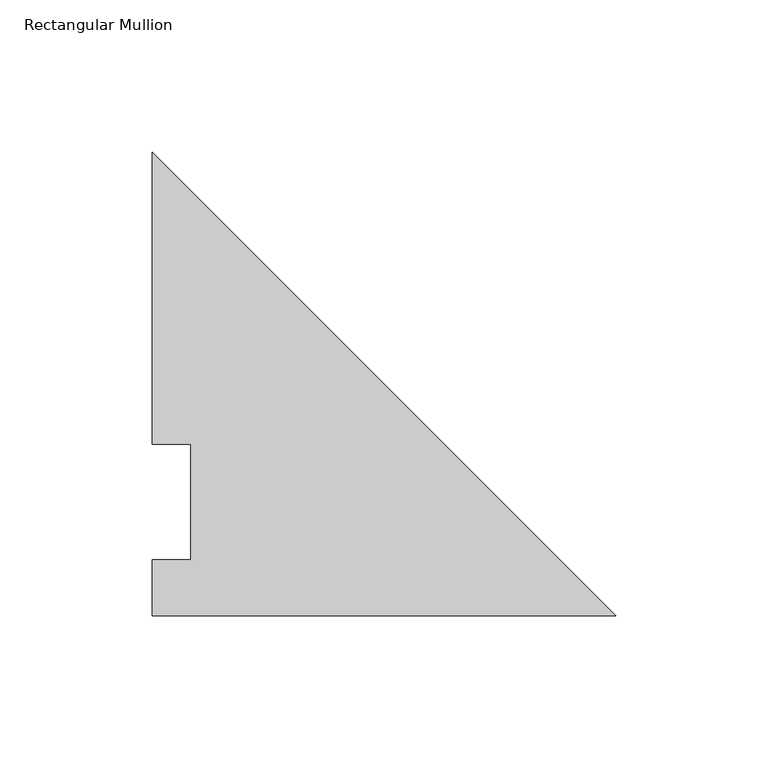
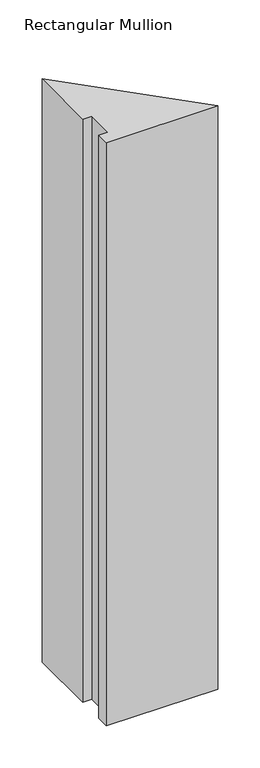
"""IFC4 building model written with IfcOpenShell, lengths in millimetres: member geometry, Rectangular Mullion."""

import ifcopenshell
import ifcopenshell.guid

model = None  # the IFC model being written
_history = None  # IfcOwnerHistory: only IFC2X3 demands one
_inside = {}  # id of a spatial element -> (the spatial element, [elements in it])
_under = {}  # id of a project, library or spatial element -> (it, [spatial elements below it])
_declared = {}  # id of a project -> (the project, [libraries it declares])
_typed = {}  # id of a type object -> (the type object, [elements of that type])
_made_of = {}  # id of a material, layer set ... -> (it, [elements and type objects made of it])


def new_model(schema):
    """Start an empty IFC model of exactly this schema.

    Asked for "IFC4X3", IfcOpenShell would pick the latest addendum, in which some entities
    have other attributes; the version numbers below select the first issue.
    IFC2X3 requires an IfcOwnerHistory on every rooted entity: one is made here for all.
    """
    global model, _history
    if schema == "IFC4X3":
        model = ifcopenshell.file(schema_version=(4, 3, 0, 0))
    else:
        model = ifcopenshell.file(schema=schema)
    _inside.clear()
    _under.clear()
    _declared.clear()
    _typed.clear()
    _made_of.clear()
    _history = None
    if model.schema == "IFC2X3":
        org = make("IfcOrganization", Name="unknown")
        user = make(
            "IfcPersonAndOrganization",
            ThePerson=make("IfcPerson", FamilyName="unknown"),
            TheOrganization=org,
        )
        app = make(
            "IfcApplication",
            ApplicationDeveloper=org,
            Version="unknown",
            ApplicationFullName="unknown",
            ApplicationIdentifier="unknown",
        )
        _history = make(
            "IfcOwnerHistory",
            OwningUser=user,
            OwningApplication=app,
            ChangeAction="ADDED",
            CreationDate=0,
        )
    return model


def make(cls, **values):
    """One entity of the class cls with the attributes given. An attribute that is None is left unset."""
    return model.create_entity(
        cls, **{name: value for name, value in values.items() if value is not None}
    )


def rooted(cls, **values):
    """An entity with a GlobalId (a new one), such as an element, a storey or a relation."""
    return make(cls, GlobalId=ifcopenshell.guid.new(), OwnerHistory=_history, **values)


def si_unit(unit_type, name, prefix=None):
    """IfcSIUnit, for example si_unit("LENGTHUNIT", "METRE", prefix="MILLI")."""
    return make("IfcSIUnit", UnitType=unit_type, Prefix=prefix, Name=name)


def assignment(units):
    """IfcUnitAssignment: the units of a project."""
    return None if units is None else make("IfcUnitAssignment", Units=units)


def point(xyz):
    """IfcCartesianPoint."""
    return None if xyz is None else make("IfcCartesianPoint", Coordinates=xyz)


def direction(xyz):
    """IfcDirection."""
    return None if xyz is None else make("IfcDirection", DirectionRatios=xyz)


def frame(location, z_axis=None, x_axis=None):
    """IfcAxis2Placement3D, a coordinate frame: its origin and axes. An axis left out is left unset."""
    return make(
        "IfcAxis2Placement3D",
        Location=point(location),
        Axis=direction(z_axis),
        RefDirection=direction(x_axis),
    )


def origin():
    """The frame at (0, 0, 0) with its axes left unset."""
    return frame((0.0, 0.0, 0.0))


def place(relative_to, where):
    """IfcLocalPlacement: puts the frame where relative to a parent placement (None: the world)."""
    return make(
        "IfcLocalPlacement", PlacementRelTo=relative_to, RelativePlacement=where
    )


def context(
    kind, dimensions, precision=None, world=None, true_north=None, identifier=None
):
    """IfcGeometricRepresentationContext, for example the 3D "Model" context."""
    return make(
        "IfcGeometricRepresentationContext",
        ContextIdentifier=identifier,
        ContextType=kind,
        CoordinateSpaceDimension=dimensions,
        Precision=precision,
        WorldCoordinateSystem=world,
        TrueNorth=true_north,
    )


def project(units=None, contexts=None):
    """IfcProject with its units and contexts."""
    return rooted(
        "IfcProject",
        Name="project",
        RepresentationContexts=contexts,
        UnitsInContext=assignment(units),
    )


def spatial(cls, under=None, at=None, **own):
    """A site, building, storey or space (cls), placed at a placement, below another one or the project."""
    s = rooted(cls, ObjectPlacement=at, **own)
    if under is not None:
        _under.setdefault(under.id(), (under, []))[1].append(s)
    return s


def polyline(points):
    """IfcPolyline through the points."""
    return make("IfcPolyline", Points=[point(p) for p in points])


def outline(outer, holes=None, kind="AREA"):
    """IfcArbitraryClosedProfileDef: a profile drawn as a closed curve; with holes, ...WithVoids."""
    if holes is None:
        return make("IfcArbitraryClosedProfileDef", ProfileType=kind, OuterCurve=outer)
    return make(
        "IfcArbitraryProfileDefWithVoids",
        ProfileType=kind,
        OuterCurve=outer,
        InnerCurves=holes,
    )


def extrude(swept, where, along, depth):
    """IfcExtrudedAreaSolid: the profile swept, set in the frame where, extruded along a direction by depth."""
    return make(
        "IfcExtrudedAreaSolid",
        SweptArea=swept,
        Position=where,
        ExtrudedDirection=direction(along),
        Depth=depth,
    )


def shape(context_of_items, identifier, shape_type, items):
    """IfcShapeRepresentation: the items that make up one representation, for example the "Body"."""
    return make(
        "IfcShapeRepresentation",
        ContextOfItems=context_of_items,
        RepresentationIdentifier=identifier,
        RepresentationType=shape_type,
        Items=items,
    )


def source(mapping_origin, context_of_items, identifier, shape_type, items):
    """IfcRepresentationMap: a shape defined once, which mapped items show again and again."""
    return make(
        "IfcRepresentationMap",
        MappingOrigin=mapping_origin,
        MappedRepresentation=shape(context_of_items, identifier, shape_type, items),
    )


def transform(
    local_origin,
    x_axis=None,
    y_axis=None,
    z_axis=None,
    scale=None,
    scale2=None,
    scale3=None,
    uniform=True,
):
    """IfcCartesianTransformationOperator3D, or its non-uniform kind. x_axis, y_axis, z_axis: its Axis1, 2, 3."""
    if uniform:
        return make(
            "IfcCartesianTransformationOperator3D",
            Axis1=direction(x_axis),
            Axis2=direction(y_axis),
            LocalOrigin=point(local_origin),
            Scale=scale,
            Axis3=direction(z_axis),
        )
    return make(
        "IfcCartesianTransformationOperator3DnonUniform",
        Axis1=direction(x_axis),
        Axis2=direction(y_axis),
        LocalOrigin=point(local_origin),
        Scale=scale,
        Axis3=direction(z_axis),
        Scale2=scale2,
        Scale3=scale3,
    )


def mapped(mapping_source, mapping_target):
    """IfcMappedItem: shows the shape of a source again, moved by a transform."""
    return make(
        "IfcMappedItem", MappingSource=mapping_source, MappingTarget=mapping_target
    )


def made_of(thing, what):
    """Note that an element or type object is made of a material, layer set ...; save() writes the relation."""
    if what is not None:
        _made_of.setdefault(what.id(), (what, []))[1].append(thing)
    return thing


def element(
    cls,
    number,
    at=None,
    inside=None,
    cuts=None,
    type_object=None,
    material=None,
    context=None,
    identifier="Body",
    shape_type=None,
    held_by="IfcProductDefinitionShape",
    body=None,
    shapes=None,
    **own,
):
    """One element of the class cls, such as IfcWall. Its Tag is "e" and its number.

    at: its placement. inside: the storey or other place that contains it. cuts: it is an
    opening in that element (IfcRelVoidsElement). A single representation is given by context,
    identifier, shape_type and body (its items); several are given by shapes. held_by: the class
    of the entity that holds the representations. save() writes the other relations.
    """
    e = rooted(cls, Tag="e%d" % number, ObjectPlacement=at, **own)
    if body is not None:
        shapes = [shape(context, identifier, shape_type, body)]
    if shapes is not None:
        e.Representation = make(held_by, Representations=shapes)
    if inside is not None:
        _inside.setdefault(inside.id(), (inside, []))[1].append(e)
    if cuts is not None:
        rooted(
            "IfcRelVoidsElement", RelatingBuildingElement=cuts, RelatedOpeningElement=e
        )
    if type_object is not None:
        _typed.setdefault(type_object.id(), (type_object, []))[1].append(e)
    return made_of(e, material)


def aggregate(whole, parts):
    """IfcRelAggregates: a whole, such as a stair, and the parts it consists of."""
    return rooted("IfcRelAggregates", RelatingObject=whole, RelatedObjects=parts)


def save(model, path):
    """Write the relations noted so far, then the file.

    IfcRelAggregates (storeys below a building ...), IfcRelContainedInSpatialStructure (elements
    in a storey), IfcRelDefinesByType, IfcRelAssociatesMaterial and IfcRelDeclares: one each for
    every whole, place, type object, material and project.
    """
    for whole, parts in _under.values():
        aggregate(whole, parts)
    for where, things in _inside.values():
        rooted(
            "IfcRelContainedInSpatialStructure",
            RelatedElements=things,
            RelatingStructure=where,
        )
    for kind, things in _typed.values():
        rooted("IfcRelDefinesByType", RelatedObjects=things, RelatingType=kind)
    for what, things in _made_of.values():
        rooted("IfcRelAssociatesMaterial", RelatedObjects=things, RelatingMaterial=what)
    for by, libraries in _declared.values():
        rooted("IfcRelDeclares", RelatingContext=by, RelatedDefinitions=libraries)
    model.write(path)


def rectangular_mullion_bade6806(model_context):
    return source(origin(), model_context, "Body", "SweptSolid", [
        extrude(outline(polyline([(-152.4000001, 152.36825), (0.0, -0.0317501), (-152.4000001, -0.0317501), (-152.4000001, 18.25625), (-139.7000001, 18.25625), (-139.7000001, 56.35625), (-152.4000001, 56.35625), (-152.4000001, 152.36825)])), frame((0.0, 0.0, -844.4484), z_axis=(0.0, 0.0, 1.0), x_axis=(1.0, 0.0, 0.0)), (0.0, 0.0, 1.0), 844.4484),
    ])


if __name__ == "__main__":
    model = new_model("IFC4")
    model_context = context("Model", 3, world=origin())
    ifc_project = project(units=[si_unit("LENGTHUNIT", "METRE", prefix="MILLI")], contexts=[model_context])
    site = spatial("IfcSite", under=ifc_project)
    building = spatial("IfcBuilding", under=site)
    placement = place(None, origin())
    rectangular_mullion_shape = rectangular_mullion_bade6806(model_context)
    element("IfcMember", 1, ObjectType="Rectangular Mullion", at=placement, inside=building, context=model_context, shape_type="MappedRepresentation", body=[
        mapped(rectangular_mullion_shape, transform((0.0, 0.0, 0.0), x_axis=(1.0, 0.0, 0.0), y_axis=(0.0, 1.0, 0.0), z_axis=(0.0, 0.0, 1.0))),
    ])
    save(model, "model.ifc")
